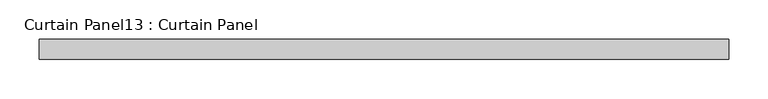
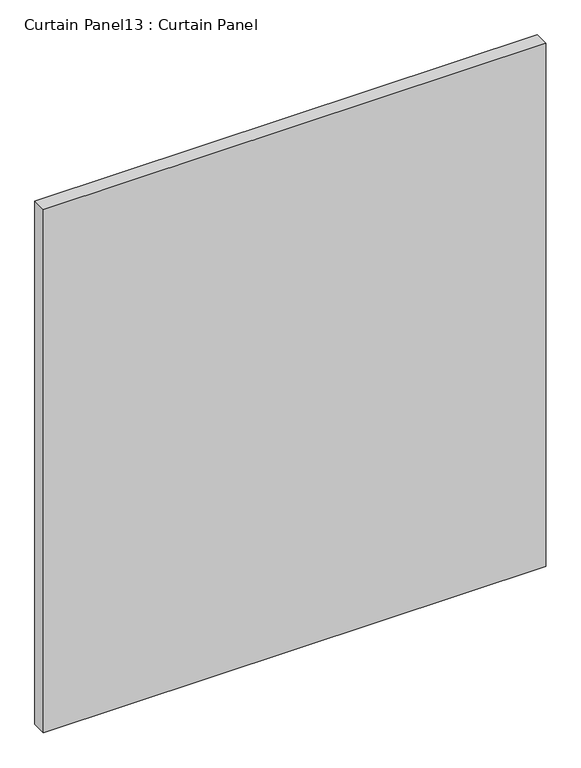
"""IFC4 building model written with IfcOpenShell, lengths in millimetres: plate geometry, Curtain Panel13 : Curtain Panel."""

from ifc_helpers import new_model, si_unit, frame, origin, place, context, project, spatial, polyline, outline, extrude, source, transform, mapped, element, save


def curtain_panel13_curtain_panel_58e289c6(model_context):
    return source(origin(), model_context, "Body", "SweptSolid", [
        extrude(outline(polyline([(52519.8904207, 2514.0505002), (51643.8074089, 2514.0505002), (51643.8074089, 2539.4505002), (52519.8904207, 2539.4505002), (52519.8904207, 2514.0505002)])), frame((0.0, 0.0, 195.8112039), z_axis=(0.0, 0.0, 1.0), x_axis=(1.0, 0.0, 0.0)), (0.0, 0.0, 1.0), 965.2175281),
    ])


if __name__ == "__main__":
    model = new_model("IFC4")
    model_context = context("Model", 3, world=origin())
    ifc_project = project(units=[si_unit("LENGTHUNIT", "METRE", prefix="MILLI")], contexts=[model_context])
    site = spatial("IfcSite", under=ifc_project)
    building = spatial("IfcBuilding", under=site)
    placement = place(None, origin())
    curtain_panel13_curtain_panel_shape = curtain_panel13_curtain_panel_58e289c6(model_context)
    element("IfcPlate", 1, ObjectType="Curtain Panel13 : Curtain Panel", at=placement, inside=building, context=model_context, shape_type="MappedRepresentation", body=[
        mapped(curtain_panel13_curtain_panel_shape, transform((0.0, 0.0, 0.0), x_axis=(1.0, 0.0, 0.0), y_axis=(0.0, 1.0, 0.0), z_axis=(0.0, 0.0, 1.0))),
    ])
    save(model, "model.ifc")
